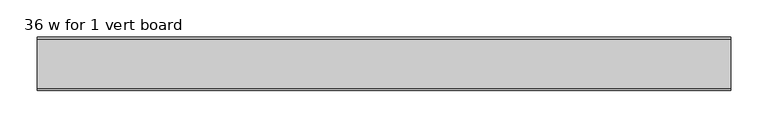
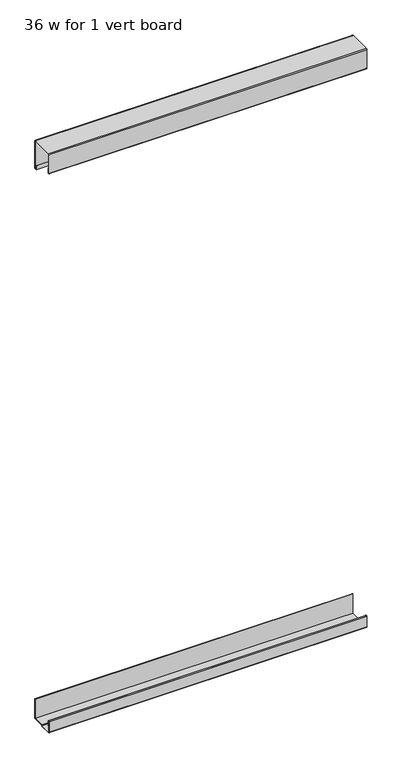
"""IFC4 building model written with IfcOpenShell, lengths in millimetres: furniture geometry, 36 w for 1 vert board."""

from ifc_helpers import new_model, si_unit, point, frame, frame_2d, origin, place, context, project, spatial, polyline, circle_curve, trimmed, segment, composite_curve, outline, extrude, source, transform, mapped, element, save


def furniture_36_w_for_1_vert_board_7ac61769(model_context):
    return source(origin(), model_context, "Body", "SweptSolid", [
        extrude(outline(composite_curve([segment(trimmed(circle_curve(frame_2d((-69.1476915, 2024.2188858)), 1.1302998), [point((-70.2779914, 2024.2188858))], [point((-68.0173917, 2024.2188858))], True, "CARTESIAN"), True, "CONTINUOUS"), segment(polyline([(-68.0173917, 2024.2188858), (-68.0173917, 2039.2048897), (-67.2368739, 2039.2048897), (-67.2368739, 2024.0565636)]), True, "CONTINUOUS"), segment(trimmed(circle_curve(frame_2d((-69.1476915, 2024.2188858)), 1.9176998), [point((-67.2368739, 2024.0565636))], [point((-71.0399907, 2023.9077962))], False, "CARTESIAN"), True, "CONTINUOUS"), segment(polyline([(-71.0399907, 2023.9077962), (-71.0399907, 2081.1966938)]), True, "CONTINUOUS"), segment(trimmed(circle_curve(frame_2d((-68.5018094, 2081.1966938)), 2.5381813), [point((-71.0399907, 2081.1966938))], [point((-68.5018094, 2083.7348751))], False, "CARTESIAN"), True, "CONTINUOUS"), segment(polyline([(-68.5018094, 2083.7348751), (-2.5750179, 2083.7348751)]), True, "CONTINUOUS"), segment(trimmed(circle_curve(frame_2d((-2.5750179, 2081.1598572)), 2.5750179), [point((-2.5750179, 2083.7348751))], [point((0.0, 2081.1598572))], False, "CARTESIAN"), True, "CONTINUOUS"), segment(polyline([(0.0, 2081.1598572), (0.0, 1997.8534605)]), True, "CONTINUOUS"), segment(trimmed(circle_curve(frame_2d((-1.184004, 1997.8534605)), 1.184004), [point((0.0, 1997.8534605))], [point((-1.184004, 1996.6694565))], False, "CARTESIAN"), True, "CONTINUOUS"), segment(polyline([(-1.184004, 1996.6694565), (-6.3753998, 1996.6694565), (-6.3753998, 2008.12481), (-5.5879998, 2008.12481), (-5.5879998, 1997.4568565), (-2.1518724, 1997.4568565)]), True, "CONTINUOUS"), segment(trimmed(circle_curve(frame_2d((-2.1518724, 1998.8467289)), 1.3898724), [point((-2.1518724, 1997.4568565))], [point((-0.762, 1998.8467289))], True, "CARTESIAN"), True, "CONTINUOUS"), segment(polyline([(-0.762, 1998.8467289), (-0.762, 2080.0609107)]), True, "CONTINUOUS"), segment(trimmed(circle_curve(frame_2d((-3.673947, 2080.0609107)), 2.911947), [point((-0.762, 2080.0609107))], [point((-3.673947, 2082.9728577))], True, "CARTESIAN"), True, "CONTINUOUS"), segment(polyline([(-3.673947, 2082.9728577), (-67.5729257, 2082.9728577)]), True, "CONTINUOUS"), segment(trimmed(circle_curve(frame_2d((-67.5729257, 2080.267792)), 2.7050657), [point((-67.5729257, 2082.9728577))], [point((-70.2779914, 2080.267792))], True, "CARTESIAN"), True, "CONTINUOUS"), segment(polyline([(-70.2779914, 2080.267792), (-70.2779914, 2024.2188858)]), True, "CONTINUOUS")], self_intersect=False)), frame((0.0, 0.0, 0.0), z_axis=(1.0, 0.0, 0.0), x_axis=(0.0, 1.0, 0.0)), (0.0, 0.0, 1.0), 924.9918),
        extrude(outline(composite_curve([segment(polyline([(-70.2779914, 336.9127564), (-70.2779914, 305.126986)]), True, "CONTINUOUS"), segment(trimmed(circle_curve(frame_2d((-67.5498257, 305.126986)), 2.7281657), [point((-70.2779914, 305.126986))], [point((-67.5498257, 302.3988203))], True, "CARTESIAN"), True, "CONTINUOUS"), segment(polyline([(-67.5498257, 302.3988203), (-35.5199953, 302.3988203), (-33.9959945, 304.2987406), (-0.7874, 304.2987406), (-0.7874, 363.8198021), (0.0, 363.8198021), (0.0, 303.5113406), (-33.6181818, 303.5113406), (-35.1421827, 301.6114203), (-67.9402033, 301.6114203)]), True, "CONTINUOUS"), segment(trimmed(circle_curve(frame_2d((-67.9402033, 304.7366083)), 3.1251881), [point((-67.9402033, 301.6114203))], [point((-71.0653914, 304.7366083))], False, "CARTESIAN"), True, "CONTINUOUS"), segment(polyline([(-71.0653914, 304.7366083), (-71.0653914, 336.9127564)]), True, "CONTINUOUS"), segment(trimmed(circle_curve(frame_2d((-69.1476915, 336.9127564)), 1.9176998), [point((-71.0653914, 336.9127564))], [point((-67.2299917, 336.9127564))], False, "CARTESIAN"), True, "CONTINUOUS"), segment(polyline([(-67.2299917, 336.9127564), (-67.2299917, 321.9267526), (-68.0173917, 321.9267526), (-68.0173917, 336.9127564)]), True, "CONTINUOUS"), segment(trimmed(circle_curve(frame_2d((-69.1476915, 336.9127564)), 1.1302998), [point((-68.0173917, 336.9127564))], [point((-70.2779914, 336.9127564))], True, "CARTESIAN"), True, "CONTINUOUS")], self_intersect=False)), frame((0.0, 0.0, 0.0), z_axis=(1.0, 0.0, 0.0), x_axis=(0.0, 1.0, 0.0)), (0.0, 0.0, 1.0), 924.9918),
    ])


if __name__ == "__main__":
    model = new_model("IFC4")
    model_context = context("Model", 3, world=origin())
    ifc_project = project(units=[si_unit("LENGTHUNIT", "METRE", prefix="MILLI")], contexts=[model_context])
    site = spatial("IfcSite", under=ifc_project)
    building = spatial("IfcBuilding", under=site)
    placement = place(None, origin())
    furniture_36_w_for_1_vert_board_shape = furniture_36_w_for_1_vert_board_7ac61769(model_context)
    element("IfcFurniture", 1, ObjectType="36 w for 1 vert board", at=placement, inside=building, context=model_context, shape_type="MappedRepresentation", body=[
        mapped(furniture_36_w_for_1_vert_board_shape, transform((0.0, 0.0, 0.0), x_axis=(1.0, 0.0, 0.0), y_axis=(0.0, 1.0, 0.0), z_axis=(0.0, 0.0, 1.0))),
    ])
    save(model, "model.ifc")
